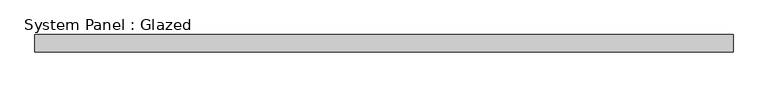
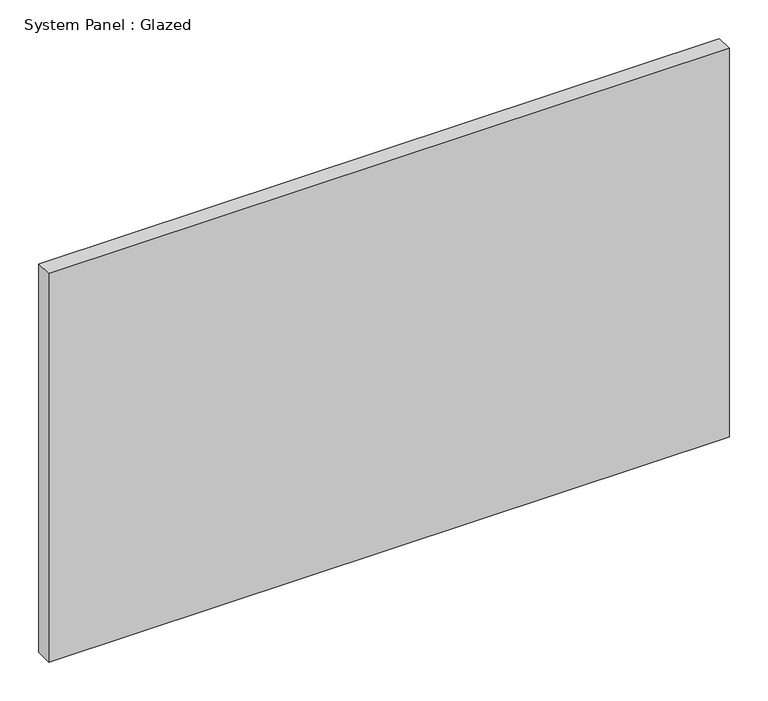
"""IFC4 building model written with IfcOpenShell, lengths in millimetres: plate geometry, System Panel : Glazed."""

import ifcopenshell
import ifcopenshell.guid

model = None  # the IFC model being written
_history = None  # IfcOwnerHistory: only IFC2X3 demands one
_inside = {}  # id of a spatial element -> (the spatial element, [elements in it])
_under = {}  # id of a project, library or spatial element -> (it, [spatial elements below it])
_declared = {}  # id of a project -> (the project, [libraries it declares])
_typed = {}  # id of a type object -> (the type object, [elements of that type])
_made_of = {}  # id of a material, layer set ... -> (it, [elements and type objects made of it])


def new_model(schema):
    """Start an empty IFC model of exactly this schema.

    Asked for "IFC4X3", IfcOpenShell would pick the latest addendum, in which some entities
    have other attributes; the version numbers below select the first issue.
    IFC2X3 requires an IfcOwnerHistory on every rooted entity: one is made here for all.
    """
    global model, _history
    if schema == "IFC4X3":
        model = ifcopenshell.file(schema_version=(4, 3, 0, 0))
    else:
        model = ifcopenshell.file(schema=schema)
    _inside.clear()
    _under.clear()
    _declared.clear()
    _typed.clear()
    _made_of.clear()
    _history = None
    if model.schema == "IFC2X3":
        org = make("IfcOrganization", Name="unknown")
        user = make(
            "IfcPersonAndOrganization",
            ThePerson=make("IfcPerson", FamilyName="unknown"),
            TheOrganization=org,
        )
        app = make(
            "IfcApplication",
            ApplicationDeveloper=org,
            Version="unknown",
            ApplicationFullName="unknown",
            ApplicationIdentifier="unknown",
        )
        _history = make(
            "IfcOwnerHistory",
            OwningUser=user,
            OwningApplication=app,
            ChangeAction="ADDED",
            CreationDate=0,
        )
    return model


def make(cls, **values):
    """One entity of the class cls with the attributes given. An attribute that is None is left unset."""
    return model.create_entity(
        cls, **{name: value for name, value in values.items() if value is not None}
    )


def rooted(cls, **values):
    """An entity with a GlobalId (a new one), such as an element, a storey or a relation."""
    return make(cls, GlobalId=ifcopenshell.guid.new(), OwnerHistory=_history, **values)


def si_unit(unit_type, name, prefix=None):
    """IfcSIUnit, for example si_unit("LENGTHUNIT", "METRE", prefix="MILLI")."""
    return make("IfcSIUnit", UnitType=unit_type, Prefix=prefix, Name=name)


def assignment(units):
    """IfcUnitAssignment: the units of a project."""
    return None if units is None else make("IfcUnitAssignment", Units=units)


def point(xyz):
    """IfcCartesianPoint."""
    return None if xyz is None else make("IfcCartesianPoint", Coordinates=xyz)


def direction(xyz):
    """IfcDirection."""
    return None if xyz is None else make("IfcDirection", DirectionRatios=xyz)


def frame(location, z_axis=None, x_axis=None):
    """IfcAxis2Placement3D, a coordinate frame: its origin and axes. An axis left out is left unset."""
    return make(
        "IfcAxis2Placement3D",
        Location=point(location),
        Axis=direction(z_axis),
        RefDirection=direction(x_axis),
    )


def origin():
    """The frame at (0, 0, 0) with its axes left unset."""
    return frame((0.0, 0.0, 0.0))


def origin_with_axes():
    """The frame at (0, 0, 0) with the z axis (0, 0, 1) and the x axis (1, 0, 0) written out."""
    return frame((0.0, 0.0, 0.0), z_axis=(0.0, 0.0, 1.0), x_axis=(1.0, 0.0, 0.0))


def place(relative_to, where):
    """IfcLocalPlacement: puts the frame where relative to a parent placement (None: the world)."""
    return make(
        "IfcLocalPlacement", PlacementRelTo=relative_to, RelativePlacement=where
    )


def context(
    kind, dimensions, precision=None, world=None, true_north=None, identifier=None
):
    """IfcGeometricRepresentationContext, for example the 3D "Model" context."""
    return make(
        "IfcGeometricRepresentationContext",
        ContextIdentifier=identifier,
        ContextType=kind,
        CoordinateSpaceDimension=dimensions,
        Precision=precision,
        WorldCoordinateSystem=world,
        TrueNorth=true_north,
    )


def project(units=None, contexts=None):
    """IfcProject with its units and contexts."""
    return rooted(
        "IfcProject",
        Name="project",
        RepresentationContexts=contexts,
        UnitsInContext=assignment(units),
    )


def spatial(cls, under=None, at=None, **own):
    """A site, building, storey or space (cls), placed at a placement, below another one or the project."""
    s = rooted(cls, ObjectPlacement=at, **own)
    if under is not None:
        _under.setdefault(under.id(), (under, []))[1].append(s)
    return s


def polyline(points):
    """IfcPolyline through the points."""
    return make("IfcPolyline", Points=[point(p) for p in points])


def outline(outer, holes=None, kind="AREA"):
    """IfcArbitraryClosedProfileDef: a profile drawn as a closed curve; with holes, ...WithVoids."""
    if holes is None:
        return make("IfcArbitraryClosedProfileDef", ProfileType=kind, OuterCurve=outer)
    return make(
        "IfcArbitraryProfileDefWithVoids",
        ProfileType=kind,
        OuterCurve=outer,
        InnerCurves=holes,
    )


def extrude(swept, where, along, depth):
    """IfcExtrudedAreaSolid: the profile swept, set in the frame where, extruded along a direction by depth."""
    return make(
        "IfcExtrudedAreaSolid",
        SweptArea=swept,
        Position=where,
        ExtrudedDirection=direction(along),
        Depth=depth,
    )


def shape(context_of_items, identifier, shape_type, items):
    """IfcShapeRepresentation: the items that make up one representation, for example the "Body"."""
    return make(
        "IfcShapeRepresentation",
        ContextOfItems=context_of_items,
        RepresentationIdentifier=identifier,
        RepresentationType=shape_type,
        Items=items,
    )


def source(mapping_origin, context_of_items, identifier, shape_type, items):
    """IfcRepresentationMap: a shape defined once, which mapped items show again and again."""
    return make(
        "IfcRepresentationMap",
        MappingOrigin=mapping_origin,
        MappedRepresentation=shape(context_of_items, identifier, shape_type, items),
    )


def transform(
    local_origin,
    x_axis=None,
    y_axis=None,
    z_axis=None,
    scale=None,
    scale2=None,
    scale3=None,
    uniform=True,
):
    """IfcCartesianTransformationOperator3D, or its non-uniform kind. x_axis, y_axis, z_axis: its Axis1, 2, 3."""
    if uniform:
        return make(
            "IfcCartesianTransformationOperator3D",
            Axis1=direction(x_axis),
            Axis2=direction(y_axis),
            LocalOrigin=point(local_origin),
            Scale=scale,
            Axis3=direction(z_axis),
        )
    return make(
        "IfcCartesianTransformationOperator3DnonUniform",
        Axis1=direction(x_axis),
        Axis2=direction(y_axis),
        LocalOrigin=point(local_origin),
        Scale=scale,
        Axis3=direction(z_axis),
        Scale2=scale2,
        Scale3=scale3,
    )


def mapped(mapping_source, mapping_target):
    """IfcMappedItem: shows the shape of a source again, moved by a transform."""
    return make(
        "IfcMappedItem", MappingSource=mapping_source, MappingTarget=mapping_target
    )


def made_of(thing, what):
    """Note that an element or type object is made of a material, layer set ...; save() writes the relation."""
    if what is not None:
        _made_of.setdefault(what.id(), (what, []))[1].append(thing)
    return thing


def element(
    cls,
    number,
    at=None,
    inside=None,
    cuts=None,
    type_object=None,
    material=None,
    context=None,
    identifier="Body",
    shape_type=None,
    held_by="IfcProductDefinitionShape",
    body=None,
    shapes=None,
    **own,
):
    """One element of the class cls, such as IfcWall. Its Tag is "e" and its number.

    at: its placement. inside: the storey or other place that contains it. cuts: it is an
    opening in that element (IfcRelVoidsElement). A single representation is given by context,
    identifier, shape_type and body (its items); several are given by shapes. held_by: the class
    of the entity that holds the representations. save() writes the other relations.
    """
    e = rooted(cls, Tag="e%d" % number, ObjectPlacement=at, **own)
    if body is not None:
        shapes = [shape(context, identifier, shape_type, body)]
    if shapes is not None:
        e.Representation = make(held_by, Representations=shapes)
    if inside is not None:
        _inside.setdefault(inside.id(), (inside, []))[1].append(e)
    if cuts is not None:
        rooted(
            "IfcRelVoidsElement", RelatingBuildingElement=cuts, RelatedOpeningElement=e
        )
    if type_object is not None:
        _typed.setdefault(type_object.id(), (type_object, []))[1].append(e)
    return made_of(e, material)


def aggregate(whole, parts):
    """IfcRelAggregates: a whole, such as a stair, and the parts it consists of."""
    return rooted("IfcRelAggregates", RelatingObject=whole, RelatedObjects=parts)


def save(model, path):
    """Write the relations noted so far, then the file.

    IfcRelAggregates (storeys below a building ...), IfcRelContainedInSpatialStructure (elements
    in a storey), IfcRelDefinesByType, IfcRelAssociatesMaterial and IfcRelDeclares: one each for
    every whole, place, type object, material and project.
    """
    for whole, parts in _under.values():
        aggregate(whole, parts)
    for where, things in _inside.values():
        rooted(
            "IfcRelContainedInSpatialStructure",
            RelatedElements=things,
            RelatingStructure=where,
        )
    for kind, things in _typed.values():
        rooted("IfcRelDefinesByType", RelatedObjects=things, RelatingType=kind)
    for what, things in _made_of.values():
        rooted("IfcRelAssociatesMaterial", RelatedObjects=things, RelatingMaterial=what)
    for by, libraries in _declared.values():
        rooted("IfcRelDeclares", RelatingContext=by, RelatedDefinitions=libraries)
    model.write(path)


def system_panel_glazed_115baf4f(model_context):
    return source(origin(), model_context, "Body", "SweptSolid", [
        extrude(outline(polyline([(508.0, 19.05), (-508.0, 19.05), (-508.0, 44.45), (508.0, 44.45), (508.0, 19.05)])), origin_with_axes(), (0.0, 0.0, 1.0), 613.5309524),
    ])


if __name__ == "__main__":
    model = new_model("IFC4")
    model_context = context("Model", 3, world=origin())
    ifc_project = project(units=[si_unit("LENGTHUNIT", "METRE", prefix="MILLI")], contexts=[model_context])
    site = spatial("IfcSite", under=ifc_project)
    building = spatial("IfcBuilding", under=site)
    placement = place(None, origin())
    system_panel_glazed_shape = system_panel_glazed_115baf4f(model_context)
    element("IfcPlate", 1, ObjectType="System Panel : Glazed", at=placement, inside=building, context=model_context, shape_type="MappedRepresentation", body=[
        mapped(system_panel_glazed_shape, transform((0.0, 0.0, 0.0), x_axis=(1.0, 0.0, 0.0), y_axis=(0.0, 1.0, 0.0), z_axis=(0.0, 0.0, 1.0))),
    ])
    save(model, "model.ifc")
